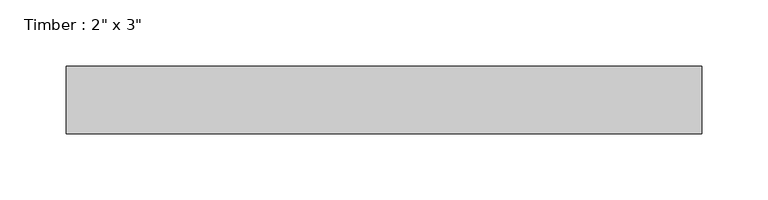
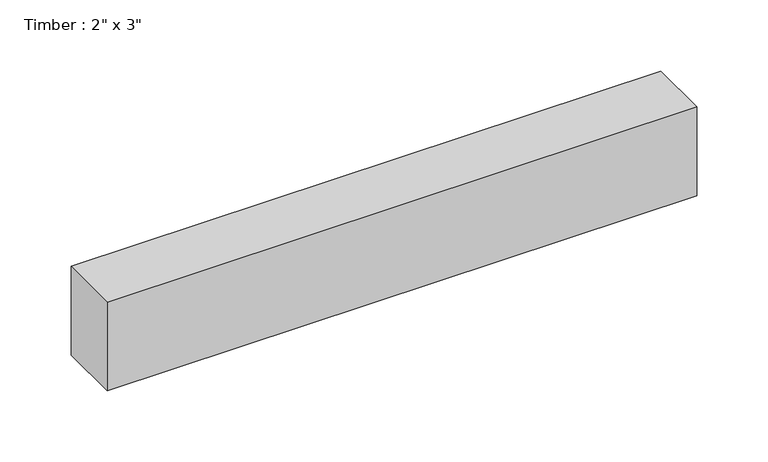
"""IFC4 building model written with IfcOpenShell, lengths in millimetres: beam geometry."""

import ifcopenshell
import ifcopenshell.guid

model = None  # the IFC model being written
_history = None  # IfcOwnerHistory: only IFC2X3 demands one
_inside = {}  # id of a spatial element -> (the spatial element, [elements in it])
_under = {}  # id of a project, library or spatial element -> (it, [spatial elements below it])
_declared = {}  # id of a project -> (the project, [libraries it declares])
_typed = {}  # id of a type object -> (the type object, [elements of that type])
_made_of = {}  # id of a material, layer set ... -> (it, [elements and type objects made of it])


def new_model(schema):
    """Start an empty IFC model of exactly this schema.

    Asked for "IFC4X3", IfcOpenShell would pick the latest addendum, in which some entities
    have other attributes; the version numbers below select the first issue.
    IFC2X3 requires an IfcOwnerHistory on every rooted entity: one is made here for all.
    """
    global model, _history
    if schema == "IFC4X3":
        model = ifcopenshell.file(schema_version=(4, 3, 0, 0))
    else:
        model = ifcopenshell.file(schema=schema)
    _inside.clear()
    _under.clear()
    _declared.clear()
    _typed.clear()
    _made_of.clear()
    _history = None
    if model.schema == "IFC2X3":
        org = make("IfcOrganization", Name="unknown")
        user = make(
            "IfcPersonAndOrganization",
            ThePerson=make("IfcPerson", FamilyName="unknown"),
            TheOrganization=org,
        )
        app = make(
            "IfcApplication",
            ApplicationDeveloper=org,
            Version="unknown",
            ApplicationFullName="unknown",
            ApplicationIdentifier="unknown",
        )
        _history = make(
            "IfcOwnerHistory",
            OwningUser=user,
            OwningApplication=app,
            ChangeAction="ADDED",
            CreationDate=0,
        )
    return model


def make(cls, **values):
    """One entity of the class cls with the attributes given. An attribute that is None is left unset."""
    return model.create_entity(
        cls, **{name: value for name, value in values.items() if value is not None}
    )


def rooted(cls, **values):
    """An entity with a GlobalId (a new one), such as an element, a storey or a relation."""
    return make(cls, GlobalId=ifcopenshell.guid.new(), OwnerHistory=_history, **values)


def si_unit(unit_type, name, prefix=None):
    """IfcSIUnit, for example si_unit("LENGTHUNIT", "METRE", prefix="MILLI")."""
    return make("IfcSIUnit", UnitType=unit_type, Prefix=prefix, Name=name)


def assignment(units):
    """IfcUnitAssignment: the units of a project."""
    return None if units is None else make("IfcUnitAssignment", Units=units)


def point(xyz):
    """IfcCartesianPoint."""
    return None if xyz is None else make("IfcCartesianPoint", Coordinates=xyz)


def direction(xyz):
    """IfcDirection."""
    return None if xyz is None else make("IfcDirection", DirectionRatios=xyz)


def frame(location, z_axis=None, x_axis=None):
    """IfcAxis2Placement3D, a coordinate frame: its origin and axes. An axis left out is left unset."""
    return make(
        "IfcAxis2Placement3D",
        Location=point(location),
        Axis=direction(z_axis),
        RefDirection=direction(x_axis),
    )


def origin():
    """The frame at (0, 0, 0) with its axes left unset."""
    return frame((0.0, 0.0, 0.0))


def place(relative_to, where):
    """IfcLocalPlacement: puts the frame where relative to a parent placement (None: the world)."""
    return make(
        "IfcLocalPlacement", PlacementRelTo=relative_to, RelativePlacement=where
    )


def context(
    kind, dimensions, precision=None, world=None, true_north=None, identifier=None
):
    """IfcGeometricRepresentationContext, for example the 3D "Model" context."""
    return make(
        "IfcGeometricRepresentationContext",
        ContextIdentifier=identifier,
        ContextType=kind,
        CoordinateSpaceDimension=dimensions,
        Precision=precision,
        WorldCoordinateSystem=world,
        TrueNorth=true_north,
    )


def project(units=None, contexts=None):
    """IfcProject with its units and contexts."""
    return rooted(
        "IfcProject",
        Name="project",
        RepresentationContexts=contexts,
        UnitsInContext=assignment(units),
    )


def spatial(cls, under=None, at=None, **own):
    """A site, building, storey or space (cls), placed at a placement, below another one or the project."""
    s = rooted(cls, ObjectPlacement=at, **own)
    if under is not None:
        _under.setdefault(under.id(), (under, []))[1].append(s)
    return s


def polyline(points):
    """IfcPolyline through the points."""
    return make("IfcPolyline", Points=[point(p) for p in points])


def outline(outer, holes=None, kind="AREA"):
    """IfcArbitraryClosedProfileDef: a profile drawn as a closed curve; with holes, ...WithVoids."""
    if holes is None:
        return make("IfcArbitraryClosedProfileDef", ProfileType=kind, OuterCurve=outer)
    return make(
        "IfcArbitraryProfileDefWithVoids",
        ProfileType=kind,
        OuterCurve=outer,
        InnerCurves=holes,
    )


def extrude(swept, where, along, depth):
    """IfcExtrudedAreaSolid: the profile swept, set in the frame where, extruded along a direction by depth."""
    return make(
        "IfcExtrudedAreaSolid",
        SweptArea=swept,
        Position=where,
        ExtrudedDirection=direction(along),
        Depth=depth,
    )


def shape(context_of_items, identifier, shape_type, items):
    """IfcShapeRepresentation: the items that make up one representation, for example the "Body"."""
    return make(
        "IfcShapeRepresentation",
        ContextOfItems=context_of_items,
        RepresentationIdentifier=identifier,
        RepresentationType=shape_type,
        Items=items,
    )


def source(mapping_origin, context_of_items, identifier, shape_type, items):
    """IfcRepresentationMap: a shape defined once, which mapped items show again and again."""
    return make(
        "IfcRepresentationMap",
        MappingOrigin=mapping_origin,
        MappedRepresentation=shape(context_of_items, identifier, shape_type, items),
    )


def transform(
    local_origin,
    x_axis=None,
    y_axis=None,
    z_axis=None,
    scale=None,
    scale2=None,
    scale3=None,
    uniform=True,
):
    """IfcCartesianTransformationOperator3D, or its non-uniform kind. x_axis, y_axis, z_axis: its Axis1, 2, 3."""
    if uniform:
        return make(
            "IfcCartesianTransformationOperator3D",
            Axis1=direction(x_axis),
            Axis2=direction(y_axis),
            LocalOrigin=point(local_origin),
            Scale=scale,
            Axis3=direction(z_axis),
        )
    return make(
        "IfcCartesianTransformationOperator3DnonUniform",
        Axis1=direction(x_axis),
        Axis2=direction(y_axis),
        LocalOrigin=point(local_origin),
        Scale=scale,
        Axis3=direction(z_axis),
        Scale2=scale2,
        Scale3=scale3,
    )


def mapped(mapping_source, mapping_target):
    """IfcMappedItem: shows the shape of a source again, moved by a transform."""
    return make(
        "IfcMappedItem", MappingSource=mapping_source, MappingTarget=mapping_target
    )


def made_of(thing, what):
    """Note that an element or type object is made of a material, layer set ...; save() writes the relation."""
    if what is not None:
        _made_of.setdefault(what.id(), (what, []))[1].append(thing)
    return thing


def element(
    cls,
    number,
    at=None,
    inside=None,
    cuts=None,
    type_object=None,
    material=None,
    context=None,
    identifier="Body",
    shape_type=None,
    held_by="IfcProductDefinitionShape",
    body=None,
    shapes=None,
    **own,
):
    """One element of the class cls, such as IfcWall. Its Tag is "e" and its number.

    at: its placement. inside: the storey or other place that contains it. cuts: it is an
    opening in that element (IfcRelVoidsElement). A single representation is given by context,
    identifier, shape_type and body (its items); several are given by shapes. held_by: the class
    of the entity that holds the representations. save() writes the other relations.
    """
    e = rooted(cls, Tag="e%d" % number, ObjectPlacement=at, **own)
    if body is not None:
        shapes = [shape(context, identifier, shape_type, body)]
    if shapes is not None:
        e.Representation = make(held_by, Representations=shapes)
    if inside is not None:
        _inside.setdefault(inside.id(), (inside, []))[1].append(e)
    if cuts is not None:
        rooted(
            "IfcRelVoidsElement", RelatingBuildingElement=cuts, RelatedOpeningElement=e
        )
    if type_object is not None:
        _typed.setdefault(type_object.id(), (type_object, []))[1].append(e)
    return made_of(e, material)


def aggregate(whole, parts):
    """IfcRelAggregates: a whole, such as a stair, and the parts it consists of."""
    return rooted("IfcRelAggregates", RelatingObject=whole, RelatedObjects=parts)


def save(model, path):
    """Write the relations noted so far, then the file.

    IfcRelAggregates (storeys below a building ...), IfcRelContainedInSpatialStructure (elements
    in a storey), IfcRelDefinesByType, IfcRelAssociatesMaterial and IfcRelDeclares: one each for
    every whole, place, type object, material and project.
    """
    for whole, parts in _under.values():
        aggregate(whole, parts)
    for where, things in _inside.values():
        rooted(
            "IfcRelContainedInSpatialStructure",
            RelatedElements=things,
            RelatingStructure=where,
        )
    for kind, things in _typed.values():
        rooted("IfcRelDefinesByType", RelatedObjects=things, RelatingType=kind)
    for what, things in _made_of.values():
        rooted("IfcRelAssociatesMaterial", RelatedObjects=things, RelatingMaterial=what)
    for by, libraries in _declared.values():
        rooted("IfcRelDeclares", RelatingContext=by, RelatedDefinitions=libraries)
    model.write(path)


def beam_eb27eb52(model_context):
    return source(origin(), model_context, "Body", "SweptSolid", [
        extrude(outline(polyline([(239.6090516, 25.4), (239.6090516, -25.4), (-239.6090516, -25.4), (-239.6090516, 25.4), (239.6090516, 25.4)])), frame((0.0, 0.0, -38.1), z_axis=(0.0, 0.0, 1.0), x_axis=(1.0, 0.0, 0.0)), (0.0, 0.0, 1.0), 76.2),
    ])


if __name__ == "__main__":
    model = new_model("IFC4")
    model_context = context("Model", 3, world=origin())
    ifc_project = project(units=[si_unit("LENGTHUNIT", "METRE", prefix="MILLI")], contexts=[model_context])
    site = spatial("IfcSite", under=ifc_project)
    building = spatial("IfcBuilding", under=site)
    placement = place(None, origin())
    beam_shape = beam_eb27eb52(model_context)
    element("IfcBeam", 1, ObjectType="Timber : 2\" x 3\"", at=placement, inside=building, context=model_context, shape_type="MappedRepresentation", body=[
        mapped(beam_shape, transform((0.0, 0.0, 0.0), x_axis=(1.0, 0.0, 0.0), y_axis=(0.0, 1.0, 0.0), z_axis=(0.0, 0.0, 1.0))),
    ])
    save(model, "model.ifc")
